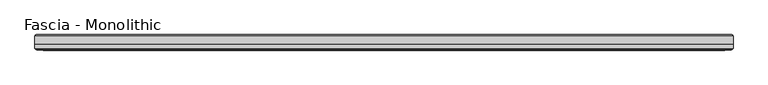
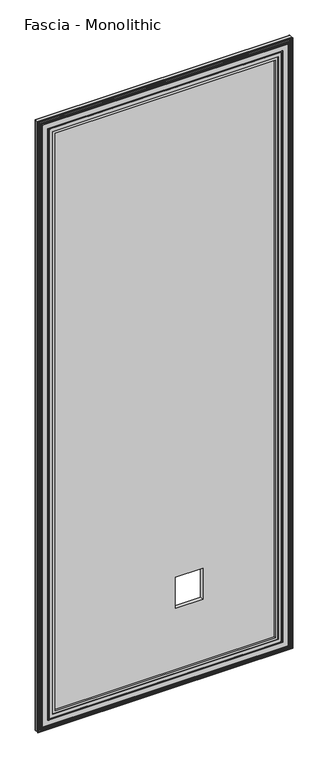
"""IFC4 building model written with IfcOpenShell, lengths in millimetres: proxy geometry, Fascia - Monolithic."""

from ifc_helpers import new_model, si_unit, frame, origin, place, context, project, spatial, ellipse_curve, source, transform, mapped, element, save
from ifc_brep_helpers import plane_surface, cylinder_surface, advanced_brep


def fascia_monolithic_b02b2dbe(model_context):
    return source(origin(), model_context, "Body", "AdvancedBrep", [
        advanced_brep(
        [(-545.3950914, -15.8650077, 46.2434077), (-545.6644991, -16.7386, 45.974), (545.6644991, -16.7386, 45.974), (545.3950914, -15.8650077, 46.2434077), (-546.5689068, -14.6911923, 45.0695923), (546.5689068, -14.6911923, 45.0695923), (-539.4823068, -15.8650077, 52.1561923), (-538.3084914, -14.6911923, 53.3300077), (538.3084914, -14.6911923, 53.3300077), (539.4823068, -15.8650077, 52.1561923), (-539.2128991, -16.7386, 52.4256), (539.2128991, -16.7386, 52.4256), (-522.9314991, -15.5956, 68.707), (-523.6934991, -16.7386, 67.945), (523.6934991, -16.7386, 67.945), (522.9314991, -15.5956, 68.707), (-510.6124991, -8.4836, 81.026), (-510.6124991, -15.5956, 81.026), (510.6124991, -15.5956, 81.026), (510.6124991, -8.4836, 81.026), (-591.6384991, -15.2146, 0.0), (-591.6384991, -8.4836, 0.0), (591.6384991, -8.4836, 0.0), (591.6384991, -15.2146, 0.0), (-590.1144991, -16.7386, 1.524), (590.1144991, -16.7386, 1.524), (-588.0670914, -15.8650077, 3.5714077), (-588.3364991, -16.7386, 3.302), (588.3364991, -16.7386, 3.302), (588.0670914, -15.8650077, 3.5714077), (-589.2409068, -14.6911923, 2.3975923), (589.2409068, -14.6911923, 2.3975923), (-582.1543068, -15.8650077, 9.4841923), (-580.9804914, -14.6911923, 10.6580077), (580.9804914, -14.6911923, 10.6580077), (582.1543068, -15.8650077, 9.4841923), (-581.8848991, -16.7386, 9.7536), (581.8848991, -16.7386, 9.7536), (-576.9953991, -16.7386, 14.6431), (-578.5193991, -16.7386, 13.1191), (578.5193991, -16.7386, 13.1191), (576.9953991, -16.7386, 14.6431), (-571.0263991, -16.7386, 20.6121), (-573.4393991, -16.7386, 18.1991), (573.4393991, -16.7386, 18.1991), (571.0263991, -16.7386, 20.6121), (545.6644991, -16.7386, 2946.7494), (545.3950914, -15.8650077, 2946.4799923), (546.5689068, -14.6911923, 2947.6538077), (538.3084914, -14.6911923, 2939.3933923), (539.4823068, -15.8650077, 2940.5672077), (539.2128991, -16.7386, 2940.2978), (523.6934991, -16.7386, 2924.7784), (522.9314991, -15.5956, 2924.0164), (510.6124991, -15.5956, 2911.6974), (510.6124991, -8.4836, 2911.6974), (591.6384991, -8.4836, 2992.7234), (591.6384991, -15.2146, 2992.7234), (590.1144991, -16.7386, 2991.1994), (588.3364991, -16.7386, 2989.4214), (588.0670914, -15.8650077, 2989.1519923), (589.2409068, -14.6911923, 2990.3258077), (580.9804914, -14.6911923, 2982.0653923), (582.1543068, -15.8650077, 2983.2392077), (581.8848991, -16.7386, 2982.9698), (578.5193991, -16.7386, 2979.6043), (576.9953991, -16.7386, 2978.0803), (573.4393991, -16.7386, 2974.5243), (571.0263991, -16.7386, 2972.1113), (-545.6644991, -16.7386, 2946.7494), (-545.3950914, -15.8650077, 2946.4799923), (-546.5689068, -14.6911923, 2947.6538077), (-538.3084914, -14.6911923, 2939.3933923), (-539.4823068, -15.8650077, 2940.5672077), (-539.2128991, -16.7386, 2940.2978), (-523.6934991, -16.7386, 2924.7784), (-522.9314991, -15.5956, 2924.0164), (-510.6124991, -15.5956, 2911.6974), (-510.6124991, -8.4836, 2911.6974), (-591.6384991, -8.4836, 2992.7234), (-591.6384991, -15.2146, 2992.7234), (-590.1144991, -16.7386, 2991.1994), (-588.3364991, -16.7386, 2989.4214), (-588.0670914, -15.8650077, 2989.1519923), (-589.2409068, -14.6911923, 2990.3258077), (-580.9804914, -14.6911923, 2982.0653923), (-582.1543068, -15.8650077, 2983.2392077), (-581.8848991, -16.7386, 2982.9698), (-578.5193991, -16.7386, 2979.6043), (-576.9953991, -16.7386, 2978.0803), (-573.4393991, -16.7386, 2974.5243), (-571.0263991, -16.7386, 2972.1113)],
        [
            (0, 1, ellipse_curve(frame((-545.7606837, -16.2306, 45.8778154), z_axis=(0.7071067811865475, 0.0, -0.7071067811865475), x_axis=(-0.7071067811865476, 0.0, -0.7071067811865474)), 0.7311846, 0.5170256)),
            (1, 2),
            (2, 3, ellipse_curve(frame((545.7606837, -16.2306, 45.8778154), z_axis=(-0.7071067811865475, 0.0, -0.7071067811865475), x_axis=(-0.7071067811865476, 0.0, 0.7071067811865474)), 0.7311846, 0.5170256)),
            (3, 0),
            (4, 0),
            (3, 5),
            (5, 4),
            (6, 7),
            (7, 8),
            (8, 9),
            (9, 6),
            (10, 6, ellipse_curve(frame((-539.1167145, -16.2306, 52.5217846), z_axis=(0.7071067811865475, 0.0, -0.7071067811865475), x_axis=(-0.7071067811865476, 0.0, -0.7071067811865474)), 0.7311846, 0.5170256)),
            (9, 11, ellipse_curve(frame((539.1167145, -16.2306, 52.5217846), z_axis=(-0.7071067811865475, 0.0, -0.7071067811865475), x_axis=(-0.7071067811865476, 0.0, 0.7071067811865474)), 0.7311846, 0.5170256)),
            (11, 10),
            (12, 13),
            (13, 14),
            (14, 15),
            (15, 12),
            (16, 17),
            (17, 18),
            (18, 19),
            (19, 16),
            (20, 21),
            (21, 22),
            (22, 23),
            (23, 20),
            (24, 20),
            (23, 25),
            (25, 24),
            (26, 27, ellipse_curve(frame((-588.4326837, -16.2306, 3.2058154), z_axis=(0.7071067811865475, 0.0, -0.7071067811865475), x_axis=(-0.7071067811865476, 0.0, -0.7071067811865474)), 0.7311846, 0.5170256)),
            (27, 28),
            (28, 29, ellipse_curve(frame((588.4326837, -16.2306, 3.2058154), z_axis=(-0.7071067811865475, 0.0, -0.7071067811865475), x_axis=(-0.7071067811865476, 0.0, 0.7071067811865474)), 0.7311846, 0.5170256)),
            (29, 26),
            (30, 26),
            (29, 31),
            (31, 30),
            (32, 33),
            (33, 34),
            (34, 35),
            (35, 32),
            (36, 32, ellipse_curve(frame((-581.7887145, -16.2306, 9.8497846), z_axis=(0.7071067811865475, 0.0, -0.7071067811865475), x_axis=(-0.7071067811865476, 0.0, -0.7071067811865474)), 0.7311846, 0.5170256)),
            (35, 37, ellipse_curve(frame((581.7887145, -16.2306, 9.8497846), z_axis=(-0.7071067811865475, 0.0, -0.7071067811865475), x_axis=(-0.7071067811865476, 0.0, 0.7071067811865474)), 0.7311846, 0.5170256)),
            (37, 36),
            (38, 39, ellipse_curve(frame((-577.7573991, -16.7386, 13.8811), z_axis=(0.7071067811865475, 0.0, -0.7071067811865475), x_axis=(-0.7071067811865476, 0.0, -0.7071067811865474)), 1.0776307, 0.762)),
            (39, 40),
            (40, 41, ellipse_curve(frame((577.7573991, -16.7386, 13.8811), z_axis=(-0.7071067811865475, 0.0, -0.7071067811865475), x_axis=(-0.7071067811865476, 0.0, 0.7071067811865474)), 1.0776307, 0.762)),
            (41, 38),
            (42, 43, ellipse_curve(frame((-572.2328991, -16.0202269, 19.4056), z_axis=(0.7071067811865475, 0.0, -0.7071067811865475), x_axis=(-0.7071067811865476, 0.0, -0.7071067811865474)), 1.9858007, 1.4041731)),
            (43, 44),
            (44, 45, ellipse_curve(frame((572.2328991, -16.0202269, 19.4056), z_axis=(-0.7071067811865475, 0.0, -0.7071067811865475), x_axis=(-0.7071067811865476, 0.0, 0.7071067811865474)), 1.9858007, 1.4041731)),
            (45, 42),
            (2, 46),
            (46, 47, ellipse_curve(frame((545.7606837, -16.2306, 2946.8455846), z_axis=(0.7071067811865475, 0.0, -0.7071067811865475), x_axis=(-0.7071067811865474, 0.0, -0.7071067811865476)), 0.7311846, 0.5170256)),
            (47, 3),
            (47, 48),
            (48, 5),
            (8, 49),
            (49, 50),
            (50, 9),
            (50, 51, ellipse_curve(frame((539.1167145, -16.2306, 2940.2016154), z_axis=(0.7071067811865475, 0.0, -0.7071067811865475), x_axis=(-0.7071067811865474, 0.0, -0.7071067811865476)), 0.7311846, 0.5170256)),
            (51, 11),
            (14, 52),
            (52, 53),
            (53, 15),
            (18, 54),
            (54, 55),
            (55, 19),
            (22, 56),
            (56, 57),
            (57, 23),
            (57, 58),
            (58, 25),
            (28, 59),
            (59, 60, ellipse_curve(frame((588.4326837, -16.2306, 2989.5175846), z_axis=(0.7071067811865475, 0.0, -0.7071067811865475), x_axis=(-0.7071067811865474, 0.0, -0.7071067811865476)), 0.7311846, 0.5170256)),
            (60, 29),
            (60, 61),
            (61, 31),
            (34, 62),
            (62, 63),
            (63, 35),
            (63, 64, ellipse_curve(frame((581.7887145, -16.2306, 2982.8736154), z_axis=(0.7071067811865475, 0.0, -0.7071067811865475), x_axis=(-0.7071067811865474, 0.0, -0.7071067811865476)), 0.7311846, 0.5170256)),
            (64, 37),
            (40, 65),
            (65, 66, ellipse_curve(frame((577.7573991, -16.7386, 2978.8423), z_axis=(0.7071067811865475, 0.0, -0.7071067811865475), x_axis=(-0.7071067811865474, 0.0, -0.7071067811865476)), 1.0776307, 0.762)),
            (66, 41),
            (44, 67),
            (67, 68, ellipse_curve(frame((572.2328991, -16.0202269, 2973.3178), z_axis=(0.7071067811865475, 0.0, -0.7071067811865475), x_axis=(-0.7071067811865474, 0.0, -0.7071067811865476)), 1.9858007, 1.4041731)),
            (68, 45),
            (46, 69),
            (69, 70, ellipse_curve(frame((-545.7606837, -16.2306, 2946.8455846), z_axis=(0.7071067811865475, 0.0, 0.7071067811865475), x_axis=(0.7071067811865476, 0.0, -0.7071067811865474)), 0.7311846, 0.5170256)),
            (70, 47),
            (70, 71),
            (71, 48),
            (49, 72),
            (72, 73),
            (73, 50),
            (73, 74, ellipse_curve(frame((-539.1167145, -16.2306, 2940.2016154), z_axis=(0.7071067811865475, 0.0, 0.7071067811865475), x_axis=(0.7071067811865476, 0.0, -0.7071067811865474)), 0.7311846, 0.5170256)),
            (74, 51),
            (52, 75),
            (75, 76),
            (76, 53),
            (54, 77),
            (77, 78),
            (78, 55),
            (56, 79),
            (79, 80),
            (80, 57),
            (80, 81),
            (81, 58),
            (59, 82),
            (82, 83, ellipse_curve(frame((-588.4326837, -16.2306, 2989.5175846), z_axis=(0.7071067811865475, 0.0, 0.7071067811865475), x_axis=(0.7071067811865476, 0.0, -0.7071067811865474)), 0.7311846, 0.5170256)),
            (83, 60),
            (83, 84),
            (84, 61),
            (62, 85),
            (85, 86),
            (86, 63),
            (86, 87, ellipse_curve(frame((-581.7887145, -16.2306, 2982.8736154), z_axis=(0.7071067811865475, 0.0, 0.7071067811865475), x_axis=(0.7071067811865476, 0.0, -0.7071067811865474)), 0.7311846, 0.5170256)),
            (87, 64),
            (65, 88),
            (88, 89, ellipse_curve(frame((-577.7573991, -16.7386, 2978.8423), z_axis=(0.7071067811865475, 0.0, 0.7071067811865475), x_axis=(0.7071067811865476, 0.0, -0.7071067811865474)), 1.0776307, 0.762)),
            (89, 66),
            (67, 90),
            (90, 91, ellipse_curve(frame((-572.2328991, -16.0202269, 2973.3178), z_axis=(0.7071067811865475, 0.0, 0.7071067811865475), x_axis=(0.7071067811865476, 0.0, -0.7071067811865474)), 1.9858007, 1.4041731)),
            (91, 68),
            (91, 42),
            (1, 69),
            (0, 70),
            (4, 71),
            (7, 72),
            (6, 73),
            (10, 74),
            (13, 75),
            (12, 76),
            (17, 77),
            (16, 78),
            (21, 79),
            (20, 80),
            (24, 81),
            (27, 82),
            (26, 83),
            (30, 84),
            (33, 85),
            (32, 86),
            (36, 87),
            (39, 88),
            (38, 89),
            (43, 90),
        ],
        [
            cylinder_surface(frame((-591.6384991, -16.2306, 45.8778154), z_axis=(-1.0, 0.0, 0.0), x_axis=(0.0, 0.0, 1.0)), 0.5170256),
            plane_surface(frame((-545.3950914, -15.8650077, 46.2434077), z_axis=(0.0, 0.7071067813016592, 0.7071067810714359), x_axis=(1.0, 0.0, 0.0))),
            plane_surface(frame((-538.3084914, -14.6911923, 53.3300077), z_axis=(0.0, 0.7071067813016237, -0.7071067810714713), x_axis=(1.0, 0.0, 0.0))),
            cylinder_surface(frame((-591.6384991, -16.2306, 52.5217846), z_axis=(-1.0, 0.0, 0.0), x_axis=(0.0, 0.0, 1.0)), 0.5170256),
            plane_surface(frame((-523.6934991, -16.7386, 67.945), z_axis=(0.0, -0.554700195976685, 0.8320502945035398), x_axis=(1.0, 0.0, 0.0))),
            plane_surface(frame((-510.6124991, -15.5956, 81.026), z_axis=(0.0, 0.0, 1.0), x_axis=(1.0, 0.0, 0.0))),
            plane_surface(frame((-591.6384991, -8.4836, 0.0), z_axis=(0.0, 0.0, -1.0), x_axis=(1.0, 0.0, 0.0))),
            plane_surface(frame((-591.6384991, -15.2146, 0.0), z_axis=(0.0, -0.7071067811865392, -0.7071067811865558), x_axis=(1.0, 0.0, 0.0))),
            cylinder_surface(frame((-591.6384991, -16.2306, 3.2058154), z_axis=(-1.0, 0.0, 0.0), x_axis=(0.0, 0.0, 1.0)), 0.5170256),
            plane_surface(frame((-588.0670914, -15.8650077, 3.5714077), z_axis=(0.0, 0.707106781113895, 0.7071067812592001), x_axis=(1.0, 0.0, 0.0))),
            plane_surface(frame((-580.9804914, -14.6911923, 10.6580077), z_axis=(0.0, 0.7071067811880475, -0.7071067811850476), x_axis=(1.0, 0.0, 0.0))),
            cylinder_surface(frame((-591.6384991, -16.2306, 9.8497846), z_axis=(-1.0, 0.0, 0.0), x_axis=(0.0, 0.0, 1.0)), 0.5170256),
            cylinder_surface(frame((-591.6384991, -16.7386, 13.8811), z_axis=(-1.0, 0.0, 0.0), x_axis=(0.0, 0.0, 1.0)), 0.762),
            cylinder_surface(frame((-591.6384991, -16.0202269, 19.4056), z_axis=(-1.0, 0.0, 0.0), x_axis=(0.0, 0.0, 1.0)), 1.4041731),
            cylinder_surface(frame((545.7606837, -16.2306, 0.0), z_axis=(0.0, 0.0, -1.0), x_axis=(-1.0, 0.0, 0.0)), 0.5170256),
            plane_surface(frame((545.3950914, -15.8650077, 46.2434077), z_axis=(-0.7071067810714261, 0.7071067813016689, 0.0), x_axis=(0.0, 0.0, 1.0))),
            plane_surface(frame((538.3084914, -14.6911923, 53.3300077), z_axis=(0.7071067810714811, 0.707106781301614, 0.0), x_axis=(0.0, 0.0, 1.0))),
            cylinder_surface(frame((539.1167145, -16.2306, 0.0), z_axis=(0.0, 0.0, -1.0), x_axis=(-1.0, 0.0, 0.0)), 0.5170256),
            plane_surface(frame((523.6934991, -16.7386, 67.945), z_axis=(-0.8320502945035475, -0.5547001959766734, 0.0), x_axis=(0.0, 0.0, 1.0))),
            plane_surface(frame((510.6124991, -15.5956, 81.026), z_axis=(-1.0, 0.0, 0.0), x_axis=(0.0, 0.0, 1.0))),
            plane_surface(frame((591.6384991, -8.4836, 0.0), z_axis=(1.0, 0.0, 0.0), x_axis=(0.0, 0.0, 1.0))),
            plane_surface(frame((591.6384991, -15.2146, 0.0), z_axis=(0.707106781186546, -0.707106781186549, 0.0), x_axis=(0.0, 0.0, 1.0))),
            cylinder_surface(frame((588.4326837, -16.2306, 0.0), z_axis=(0.0, 0.0, -1.0), x_axis=(-1.0, 0.0, 0.0)), 0.5170256),
            plane_surface(frame((588.0670914, -15.8650077, 3.5714077), z_axis=(-0.7071067812591904, 0.7071067811139048, 0.0), x_axis=(0.0, 0.0, 1.0))),
            plane_surface(frame((580.9804914, -14.6911923, 10.6580077), z_axis=(0.7071067811850573, 0.7071067811880377, 0.0), x_axis=(0.0, 0.0, 1.0))),
            cylinder_surface(frame((581.7887145, -16.2306, 0.0), z_axis=(0.0, 0.0, -1.0), x_axis=(-1.0, 0.0, 0.0)), 0.5170256),
            cylinder_surface(frame((577.7573991, -16.7386, 0.0), z_axis=(0.0, 0.0, -1.0), x_axis=(-1.0, 0.0, 0.0)), 0.762),
            cylinder_surface(frame((572.2328991, -16.0202269, 0.0), z_axis=(0.0, 0.0, -1.0), x_axis=(-1.0, 0.0, 0.0)), 1.4041731),
            cylinder_surface(frame((591.6384991, -16.2306, 2946.8455846), z_axis=(1.0, 0.0, 0.0), x_axis=(0.0, 0.0, -1.0)), 0.5170256),
            plane_surface(frame((545.3950914, -15.8650077, 2946.4799923), z_axis=(0.0, 0.7071067813016787, -0.7071067810714163), x_axis=(-1.0, 0.0, 0.0))),
            plane_surface(frame((538.3084914, -14.6911923, 2939.3933923), z_axis=(0.0, 0.7071067813016042, 0.7071067810714908), x_axis=(-1.0, 0.0, 0.0))),
            cylinder_surface(frame((591.6384991, -16.2306, 2940.2016154), z_axis=(1.0, 0.0, 0.0), x_axis=(0.0, 0.0, -1.0)), 0.5170256),
            plane_surface(frame((523.6934991, -16.7386, 2924.7784), z_axis=(0.0, -0.5547001959766619, -0.8320502945035552), x_axis=(-1.0, 0.0, 0.0))),
            plane_surface(frame((510.6124991, -15.5956, 2911.6974), z_axis=(0.0, 0.0, -1.0), x_axis=(-1.0, 0.0, 0.0))),
            plane_surface(frame((591.6384991, -8.4836, 2992.7234), z_axis=(0.0, 0.0, 1.0), x_axis=(-1.0, 0.0, 0.0))),
            plane_surface(frame((591.6384991, -15.2146, 2992.7234), z_axis=(0.0, -0.7071067811865588, 0.7071067811865362), x_axis=(-1.0, 0.0, 0.0))),
            cylinder_surface(frame((591.6384991, -16.2306, 2989.5175846), z_axis=(1.0, 0.0, 0.0), x_axis=(0.0, 0.0, -1.0)), 0.5170256),
            plane_surface(frame((588.0670914, -15.8650077, 2989.1519923), z_axis=(0.0, 0.7071067811139146, -0.7071067812591806), x_axis=(-1.0, 0.0, 0.0))),
            plane_surface(frame((580.9804914, -14.6911923, 2982.0653923), z_axis=(0.0, 0.7071067811880279, 0.7071067811850671), x_axis=(-1.0, 0.0, 0.0))),
            cylinder_surface(frame((591.6384991, -16.2306, 2982.8736154), z_axis=(1.0, 0.0, 0.0), x_axis=(0.0, 0.0, -1.0)), 0.5170256),
            cylinder_surface(frame((591.6384991, -16.7386, 2978.8423), z_axis=(1.0, 0.0, 0.0), x_axis=(0.0, 0.0, -1.0)), 0.762),
            cylinder_surface(frame((591.6384991, -16.0202269, 2973.3178), z_axis=(1.0, 0.0, 0.0), x_axis=(0.0, 0.0, -1.0)), 1.4041731),
            plane_surface(frame((-571.0263991, -16.7386, 2972.1113), z_axis=(0.0, -1.0, 0.0), x_axis=(0.0, 0.0, -1.0))),
            cylinder_surface(frame((-545.7606837, -16.2306, 2992.7234), z_axis=(0.0, 0.0, 1.0), x_axis=(1.0, 0.0, 0.0)), 0.5170256),
            plane_surface(frame((-545.3950914, -15.8650077, 2946.4799923), z_axis=(0.7071067810714261, 0.7071067813016689, 0.0), x_axis=(0.0, 0.0, -1.0))),
            plane_surface(frame((-546.5689068, -14.6911923, 2947.6538077), z_axis=(0.0, -1.0, 0.0), x_axis=(0.0, 0.0, -1.0))),
            plane_surface(frame((-538.3084914, -14.6911923, 2939.3933923), z_axis=(-0.7071067810714811, 0.707106781301614, 0.0), x_axis=(0.0, 0.0, -1.0))),
            cylinder_surface(frame((-539.1167145, -16.2306, 2992.7234), z_axis=(0.0, 0.0, 1.0), x_axis=(1.0, 0.0, 0.0)), 0.5170256),
            plane_surface(frame((-539.2128991, -16.7386, 2940.2978), z_axis=(0.0, -1.0, 0.0), x_axis=(0.0, 0.0, -1.0))),
            plane_surface(frame((-523.6934991, -16.7386, 2924.7784), z_axis=(0.8320502945035475, -0.5547001959766734, 0.0), x_axis=(0.0, 0.0, -1.0))),
            plane_surface(frame((-522.9314991, -15.5956, 2924.0164), z_axis=(0.0, -1.0, 0.0), x_axis=(0.0, 0.0, -1.0))),
            plane_surface(frame((-510.6124991, -15.5956, 2911.6974), z_axis=(1.0, 0.0, 0.0), x_axis=(0.0, 0.0, -1.0))),
            plane_surface(frame((-510.6124991, -8.4836, 2911.6974), z_axis=(0.0, 1.0, 0.0), x_axis=(0.0, 0.0, -1.0))),
            plane_surface(frame((-591.6384991, -8.4836, 2992.7234), z_axis=(-1.0, 0.0, 0.0), x_axis=(0.0, 0.0, -1.0))),
            plane_surface(frame((-591.6384991, -15.2146, 2992.7234), z_axis=(-0.707106781186546, -0.707106781186549, 0.0), x_axis=(0.0, 0.0, -1.0))),
            plane_surface(frame((-590.1144991, -16.7386, 2991.1994), z_axis=(0.0, -1.0, 0.0), x_axis=(0.0, 0.0, -1.0))),
            cylinder_surface(frame((-588.4326837, -16.2306, 2992.7234), z_axis=(0.0, 0.0, 1.0), x_axis=(1.0, 0.0, 0.0)), 0.5170256),
            plane_surface(frame((-588.0670914, -15.8650077, 2989.1519923), z_axis=(0.7071067812591904, 0.7071067811139048, 0.0), x_axis=(0.0, 0.0, -1.0))),
            plane_surface(frame((-589.2409068, -14.6911923, 2990.3258077), z_axis=(0.0, -1.0, 0.0), x_axis=(0.0, 0.0, -1.0))),
            plane_surface(frame((-580.9804914, -14.6911923, 2982.0653923), z_axis=(-0.7071067811850573, 0.7071067811880377, 0.0), x_axis=(0.0, 0.0, -1.0))),
            cylinder_surface(frame((-581.7887145, -16.2306, 2992.7234), z_axis=(0.0, 0.0, 1.0), x_axis=(1.0, 0.0, 0.0)), 0.5170256),
            plane_surface(frame((-581.8848991, -16.7386, 2982.9698), z_axis=(0.0, -1.0, 0.0), x_axis=(0.0, 0.0, -1.0))),
            cylinder_surface(frame((-577.7573991, -16.7386, 2992.7234), z_axis=(0.0, 0.0, 1.0), x_axis=(1.0, 0.0, 0.0)), 0.762),
            plane_surface(frame((-576.9953991, -16.7386, 2978.0803), z_axis=(0.0, -1.0, 0.0), x_axis=(0.0, 0.0, -1.0))),
            cylinder_surface(frame((-572.2328991, -16.0202269, 2992.7234), z_axis=(0.0, 0.0, 1.0), x_axis=(1.0, 0.0, 0.0)), 1.4041731),
        ],
        [
            (0, [[1, 2, 3, 4]]),
            (1, [[5, -4, 6, 7]]),
            (2, [[8, 9, 10, 11]]),
            (3, [[12, -11, 13, 14]]),
            (4, [[15, 16, 17, 18]]),
            (5, [[19, 20, 21, 22]]),
            (6, [[23, 24, 25, 26]]),
            (7, [[27, -26, 28, 29]]),
            (8, [[30, 31, 32, 33]]),
            (9, [[34, -33, 35, 36]]),
            (10, [[37, 38, 39, 40]]),
            (11, [[41, -40, 42, 43]]),
            (12, [[44, 45, 46, 47]]),
            (13, [[48, 49, 50, 51]]),
            (14, [[-3, 52, 53, 54]]),
            (15, [[-6, -54, 55, 56]]),
            (16, [[-10, 57, 58, 59]]),
            (17, [[-13, -59, 60, 61]]),
            (18, [[-17, 62, 63, 64]]),
            (19, [[-21, 65, 66, 67]]),
            (20, [[-25, 68, 69, 70]]),
            (21, [[-28, -70, 71, 72]]),
            (22, [[-32, 73, 74, 75]]),
            (23, [[-35, -75, 76, 77]]),
            (24, [[-39, 78, 79, 80]]),
            (25, [[-42, -80, 81, 82]]),
            (26, [[-46, 83, 84, 85]]),
            (27, [[-50, 86, 87, 88]]),
            (28, [[-53, 89, 90, 91]]),
            (29, [[-55, -91, 92, 93]]),
            (30, [[-58, 94, 95, 96]]),
            (31, [[-60, -96, 97, 98]]),
            (32, [[-63, 99, 100, 101]]),
            (33, [[-66, 102, 103, 104]]),
            (34, [[-69, 105, 106, 107]]),
            (35, [[-71, -107, 108, 109]]),
            (36, [[-74, 110, 111, 112]]),
            (37, [[-76, -112, 113, 114]]),
            (38, [[-79, 115, 116, 117]]),
            (39, [[-81, -117, 118, 119]]),
            (40, [[-84, 120, 121, 122]]),
            (41, [[-87, 123, 124, 125]]),
            (42, [[-88, -125, 126, -51], [127, -89, -52, -2]]),
            (43, [[-90, -127, -1, 128]]),
            (44, [[-92, -128, -5, 129]]),
            (45, [[-56, -93, -129, -7], [130, -94, -57, -9]]),
            (46, [[-95, -130, -8, 131]]),
            (47, [[-97, -131, -12, 132]]),
            (48, [[-61, -98, -132, -14], [133, -99, -62, -16]]),
            (49, [[-100, -133, -15, 134]]),
            (50, [[-64, -101, -134, -18], [135, -102, -65, -20]]),
            (51, [[-103, -135, -19, 136]]),
            (52, [[137, -105, -68, -24], [-67, -104, -136, -22]]),
            (53, [[-106, -137, -23, 138]]),
            (54, [[-108, -138, -27, 139]]),
            (55, [[-72, -109, -139, -29], [140, -110, -73, -31]]),
            (56, [[-111, -140, -30, 141]]),
            (57, [[-113, -141, -34, 142]]),
            (58, [[-77, -114, -142, -36], [143, -115, -78, -38]]),
            (59, [[-116, -143, -37, 144]]),
            (60, [[-118, -144, -41, 145]]),
            (61, [[-82, -119, -145, -43], [146, -120, -83, -45]]),
            (62, [[-121, -146, -44, 147]]),
            (63, [[-85, -122, -147, -47], [148, -123, -86, -49]]),
            (64, [[-124, -148, -48, -126]]),
        ],
    ),
        advanced_brep(
        [(-591.6384991, -8.4836, 2992.7234), (591.6384991, -8.4836, 2992.7234), (591.6384991, 6.1862895, 2992.7234), (-591.6384991, 6.1862895, 2992.7234), (591.6384991, -8.4836, 0.0), (-591.6384991, -8.4836, 0.0), (-591.6384991, 6.1862895, 0.0), (591.6384991, 6.1862895, 0.0), (589.3411886, 8.4836, 2.2973105), (-589.3411886, 8.4836, 2.2973105), (-589.3411886, 8.4836, 2990.4260895), (589.3411886, 8.4836, 2990.4260895), (178.3588, 8.4836, 381.0), (178.3588, 8.4836, 533.4), (51.3588, 8.4836, 533.4), (51.3588, 8.4836, 381.0), (178.3588, -8.4836, 533.4), (178.3588, -8.4836, 381.0), (51.3588, -8.4836, 381.0), (51.3588, -8.4836, 533.4)],
        [
            (0, 1),
            (1, 2),
            (2, 3),
            (3, 0),
            (4, 5),
            (5, 6),
            (6, 7),
            (7, 4),
            (8, 9),
            (9, 10),
            (10, 11),
            (11, 8),
            (12, 13),
            (13, 14),
            (14, 15),
            (15, 12),
            (5, 0),
            (3, 6),
            (4, 1),
            (16, 17),
            (17, 18),
            (18, 19),
            (19, 16),
            (7, 2),
            (8, 7, ellipse_curve(frame((589.3411886, 6.1862895, 2.2973105), z_axis=(-0.7071067811865475, 0.0, -0.7071067811865475), x_axis=(0.7071067811865476, 0.0, -0.7071067811865474)), 3.2488876, 2.2973105)),
            (6, 9, ellipse_curve(frame((-589.3411886, 6.1862895, 2.2973105), z_axis=(0.7071067811865475, 0.0, -0.7071067811865475), x_axis=(0.7071067811865476, 0.0, 0.7071067811865474)), 3.2488876, 2.2973105)),
            (11, 2, ellipse_curve(frame((589.3411886, 6.1862895, 2990.4260895), z_axis=(0.7071067811865475, 0.0, -0.7071067811865475), x_axis=(0.7071067811865474, 0.0, 0.7071067811865476)), 3.2488876, 2.2973105)),
            (10, 3, ellipse_curve(frame((-589.3411886, 6.1862895, 2990.4260895), z_axis=(0.7071067811865475, 0.0, 0.7071067811865475), x_axis=(-0.7071067811865476, 0.0, 0.7071067811865474)), 3.2488876, 2.2973105)),
            (12, 17),
            (16, 13),
            (15, 18),
            (14, 19),
        ],
        [
            plane_surface(frame((0.0, 198.5529455, 2992.7234), z_axis=(0.0, 0.0, 1.0), x_axis=(0.0, -1.0, 0.0))),
            plane_surface(frame((0.0, 198.5529455, 0.0), z_axis=(0.0, 0.0, -1.0), x_axis=(0.0, -1.0, 0.0))),
            plane_surface(frame((591.6384991, 8.4836, 2992.7234), z_axis=(0.0, 1.0, 0.0), x_axis=(0.0, 0.0, -1.0))),
            plane_surface(frame((-591.6384991, 8.4836, 2992.7234), z_axis=(-1.0, 0.0, 0.0), x_axis=(0.0, 0.0, -1.0))),
            plane_surface(frame((-591.6384991, -8.4836, 2992.7234), z_axis=(0.0, -1.0, 0.0), x_axis=(0.0, 0.0, -1.0))),
            plane_surface(frame((591.6384991, -8.4836, 2992.7234), z_axis=(1.0, 0.0, 0.0), x_axis=(0.0, 0.0, -1.0))),
            cylinder_surface(frame((-591.6384991, 6.1862895, 2.2973105), z_axis=(1.0, 0.0, 0.0), x_axis=(0.0, -1.0, 0.0)), 2.2973105),
            cylinder_surface(frame((589.3411886, 6.1862895, 0.0), z_axis=(0.0, 0.0, 1.0), x_axis=(0.0, -1.0, 0.0)), 2.2973105),
            cylinder_surface(frame((591.6384991, 6.1862895, 2990.4260895), z_axis=(-1.0, 0.0, 0.0), x_axis=(0.0, -1.0, 0.0)), 2.2973105),
            cylinder_surface(frame((-589.3411886, 6.1862895, 2992.7234), z_axis=(0.0, 0.0, -1.0), x_axis=(0.0, -1.0, 0.0)), 2.2973105),
            plane_surface(frame((178.3588, 8.4836, 533.4), z_axis=(-1.0, 0.0, 0.0), x_axis=(0.0, -1.0, 0.0))),
            plane_surface(frame((178.3588, 8.4836, 381.0), z_axis=(0.0, 0.0, 1.0), x_axis=(0.0, -1.0, 0.0))),
            plane_surface(frame((51.3588, 8.4836, 381.0), z_axis=(1.0, 0.0, 0.0), x_axis=(0.0, -1.0, 0.0))),
            plane_surface(frame((51.3588, 8.4836, 533.4), z_axis=(0.0, 0.0, -1.0), x_axis=(0.0, -1.0, 0.0))),
        ],
        [
            (0, [[1, 2, 3, 4]]),
            (1, [[5, 6, 7, 8]]),
            (2, [[9, 10, 11, 12], [13, 14, 15, 16]]),
            (3, [[17, -4, 18, -6]]),
            (4, [[-1, -17, -5, 19], [20, 21, 22, 23]]),
            (5, [[-19, -8, 24, -2]]),
            (6, [[25, -7, 26, -9]]),
            (7, [[-25, -12, 27, -24]]),
            (8, [[-27, -11, 28, -3]]),
            (9, [[-26, -18, -28, -10]]),
            (10, [[29, -20, 30, -13]]),
            (11, [[-29, -16, 31, -21]]),
            (12, [[-31, -15, 32, -22]]),
            (13, [[-30, -23, -32, -14]]),
        ],
    ),
    ])


if __name__ == "__main__":
    model = new_model("IFC4")
    model_context = context("Model", 3, world=origin())
    ifc_project = project(units=[si_unit("LENGTHUNIT", "METRE", prefix="MILLI")], contexts=[model_context])
    site = spatial("IfcSite", under=ifc_project)
    building = spatial("IfcBuilding", under=site)
    placement = place(None, origin())
    fascia_monolithic_shape = fascia_monolithic_b02b2dbe(model_context)
    element("IfcBuildingElementProxy", 1, Name="Fascia - Monolithic", ObjectType="Fascia - Monolithic", at=placement, inside=building, context=model_context, shape_type="MappedRepresentation", body=[
        mapped(fascia_monolithic_shape, transform((0.0, 0.0, 0.0), x_axis=(1.0, 0.0, 0.0), y_axis=(0.0, 1.0, 0.0), z_axis=(0.0, 0.0, 1.0))),
    ])
    save(model, "model.ifc")
